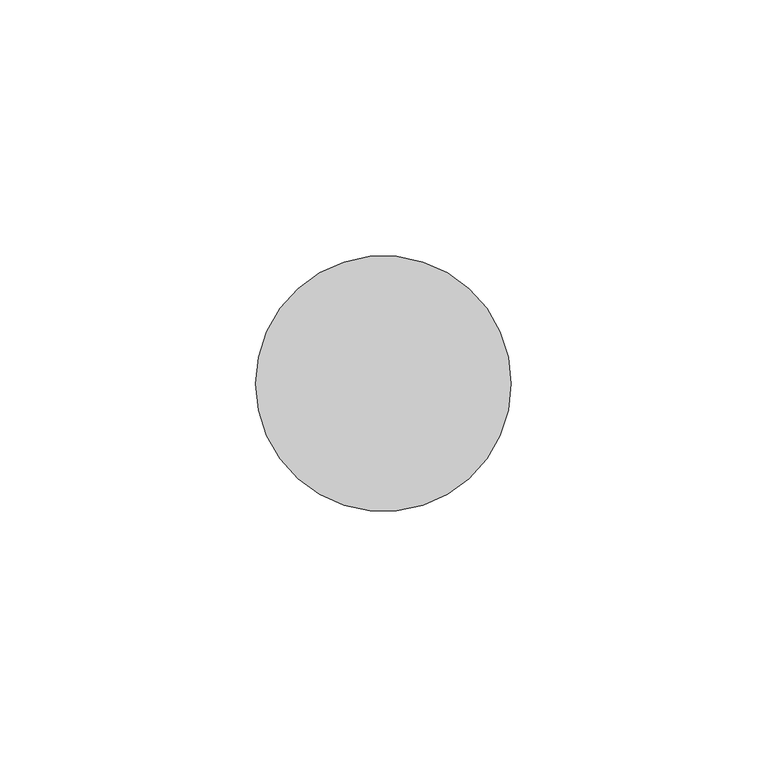
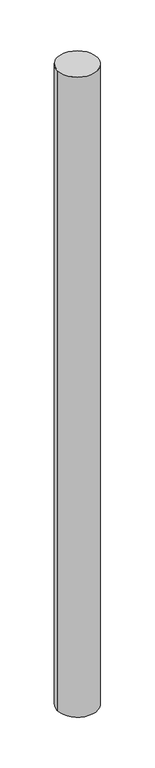
"""IFC4 building model written with IfcOpenShell, lengths in millimetres: member geometry."""

from ifc_helpers import new_model, si_unit, point, frame, origin, origin_2d, place, context, project, spatial, circle_curve, trimmed, segment, composite_curve, outline, extrude, source, transform, mapped, element, save


def member_8c641b9d(model_context):
    return source(origin(), model_context, "Body", "SweptSolid", [
        extrude(outline(composite_curve([segment(trimmed(circle_curve(origin_2d(), 25.0), [point((25.0, 0.0))], [point((-25.0, 0.0))], False, "CARTESIAN"), True, "CONTINUOUS"), segment(trimmed(circle_curve(origin_2d(), 25.0), [point((-25.0, 0.0))], [point((25.0, 0.0))], False, "CARTESIAN"), True, "CONTINUOUS")], self_intersect=False)), frame((0.0, 0.0, -850.0), z_axis=(0.0, 0.0, 1.0), x_axis=(1.0, 0.0, 0.0)), (0.0, 0.0, 1.0), 850.0),
    ])


if __name__ == "__main__":
    model = new_model("IFC4")
    model_context = context("Model", 3, world=origin())
    ifc_project = project(units=[si_unit("LENGTHUNIT", "METRE", prefix="MILLI")], contexts=[model_context])
    site = spatial("IfcSite", under=ifc_project)
    building = spatial("IfcBuilding", under=site)
    placement = place(None, origin())
    member_shape = member_8c641b9d(model_context)
    element("IfcMember", 1, at=placement, inside=building, context=model_context, shape_type="MappedRepresentation", body=[
        mapped(member_shape, transform((0.0, 0.0, 0.0), x_axis=(1.0, 0.0, 0.0), y_axis=(0.0, 1.0, 0.0), z_axis=(0.0, 0.0, 1.0))),
    ])
    save(model, "model.ifc")
